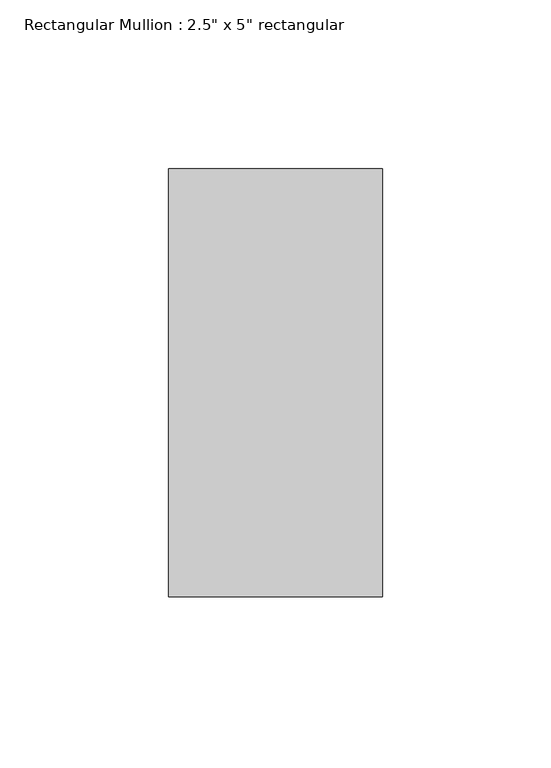
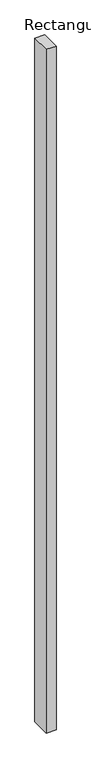
"""IFC4 building model written with IfcOpenShell, lengths in millimetres: member geometry."""

from ifc_helpers import new_model, si_unit, frame, origin, place, context, project, spatial, polyline, outline, extrude, source, transform, mapped, element, save


def member_fee6ed4a(model_context):
    return source(origin(), model_context, "Body", "SweptSolid", [
        extrude(outline(polyline([(0.0, 63.5), (0.0, -63.5), (-63.5, -63.5), (-63.5, 63.5), (0.0, 63.5)])), frame((0.0, 0.0, -4679.2344716), z_axis=(0.0, 0.0, 1.0), x_axis=(1.0, 0.0, 0.0)), (0.0, 0.0, 1.0), 4679.2344716),
    ])


if __name__ == "__main__":
    model = new_model("IFC4")
    model_context = context("Model", 3, world=origin())
    ifc_project = project(units=[si_unit("LENGTHUNIT", "METRE", prefix="MILLI")], contexts=[model_context])
    site = spatial("IfcSite", under=ifc_project)
    building = spatial("IfcBuilding", under=site)
    placement = place(None, origin())
    member_shape = member_fee6ed4a(model_context)
    element("IfcMember", 1, ObjectType="Rectangular Mullion : 2.5\" x 5\" rectangular", at=placement, inside=building, context=model_context, shape_type="MappedRepresentation", body=[
        mapped(member_shape, transform((0.0, 0.0, 0.0), x_axis=(1.0, 0.0, 0.0), y_axis=(0.0, 1.0, 0.0), z_axis=(0.0, 0.0, 1.0))),
    ])
    save(model, "model.ifc")
